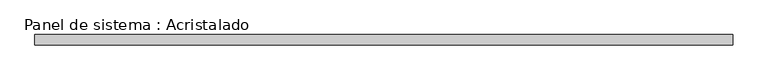
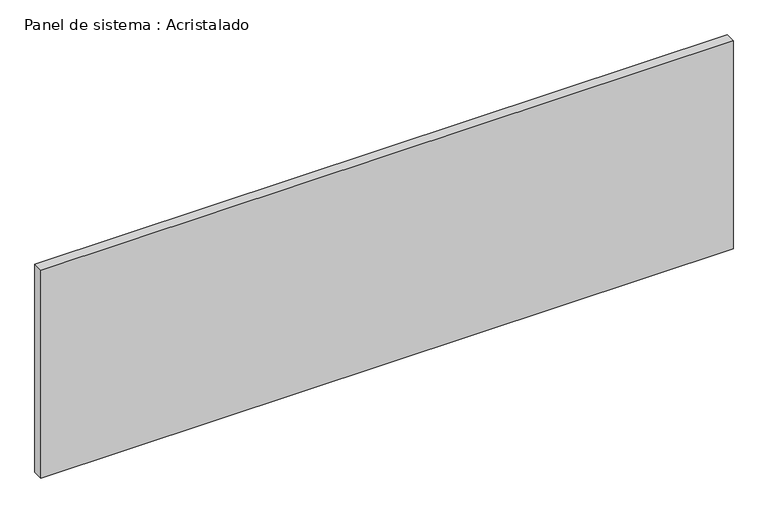
"""IFC4 building model written with IfcOpenShell, lengths in millimetres: plate geometry, Panel de sistema : Acristalado."""

from ifc_helpers import new_model, si_unit, origin, origin_with_axes, place, context, project, spatial, polyline, outline, extrude, source, transform, mapped, element, save


def panel_de_sistema_acristalado_d6afe7d9(model_context):
    return source(origin(), model_context, "Body", "SweptSolid", [
        extrude(outline(polyline([(675.25, -10.0), (-675.25, -10.0), (-675.25, 10.0), (675.25, 10.0), (675.25, -10.0)])), origin_with_axes(), (0.0, 0.0, 1.0), 429.0),
    ])


if __name__ == "__main__":
    model = new_model("IFC4")
    model_context = context("Model", 3, world=origin())
    ifc_project = project(units=[si_unit("LENGTHUNIT", "METRE", prefix="MILLI")], contexts=[model_context])
    site = spatial("IfcSite", under=ifc_project)
    building = spatial("IfcBuilding", under=site)
    placement = place(None, origin())
    panel_de_sistema_acristalado_shape = panel_de_sistema_acristalado_d6afe7d9(model_context)
    element("IfcPlate", 1, ObjectType="Panel de sistema : Acristalado", at=placement, inside=building, context=model_context, shape_type="MappedRepresentation", body=[
        mapped(panel_de_sistema_acristalado_shape, transform((0.0, 0.0, 0.0), x_axis=(1.0, 0.0, 0.0), y_axis=(0.0, 1.0, 0.0), z_axis=(0.0, 0.0, 1.0))),
    ])
    save(model, "model.ifc")
